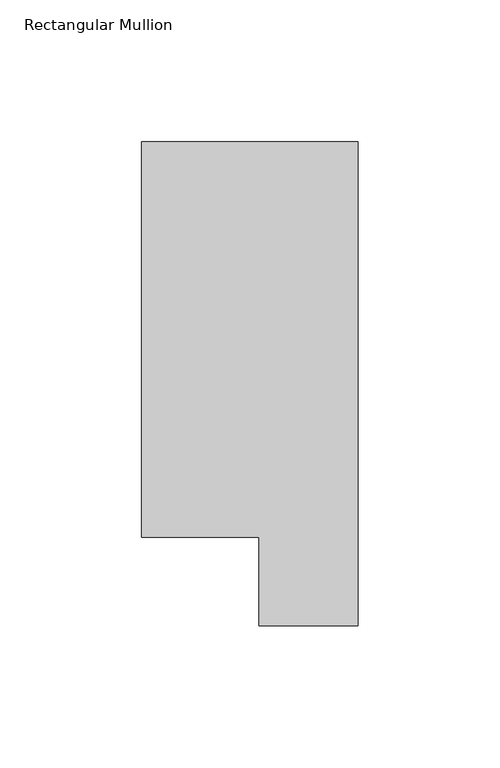
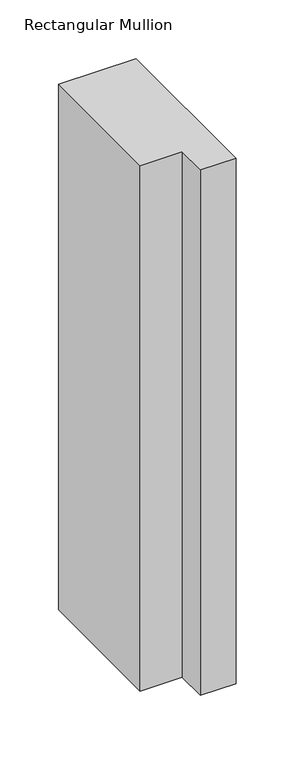
"""IFC4 building model written with IfcOpenShell, lengths in millimetres: member geometry, Rectangular Mullion."""

from ifc_helpers import new_model, si_unit, frame, origin, place, context, project, spatial, polyline, outline, extrude, source, transform, mapped, element, save


def rectangular_mullion_b9fa1e65(model_context):
    return source(origin(), model_context, "Body", "SweptSolid", [
        extrude(outline(polyline([(-76.2, 190.0007313), (0.0, 190.0007313), (0.0, 19.5667313), (-34.9123, 19.5667313), (-34.9123, 50.820278), (-76.2, 50.820278), (-76.2, 190.0007313)])), frame((0.0, 0.0, -546.0999996), z_axis=(0.0, 0.0, 1.0), x_axis=(1.0, 0.0, 0.0)), (0.0, 0.0, 1.0), 546.0999996),
    ])


if __name__ == "__main__":
    model = new_model("IFC4")
    model_context = context("Model", 3, world=origin())
    ifc_project = project(units=[si_unit("LENGTHUNIT", "METRE", prefix="MILLI")], contexts=[model_context])
    site = spatial("IfcSite", under=ifc_project)
    building = spatial("IfcBuilding", under=site)
    placement = place(None, origin())
    rectangular_mullion_shape = rectangular_mullion_b9fa1e65(model_context)
    element("IfcMember", 1, ObjectType="Rectangular Mullion", at=placement, inside=building, context=model_context, shape_type="MappedRepresentation", body=[
        mapped(rectangular_mullion_shape, transform((0.0, 0.0, 0.0), x_axis=(1.0, 0.0, 0.0), y_axis=(0.0, 1.0, 0.0), z_axis=(0.0, 0.0, 1.0))),
    ])
    save(model, "model.ifc")
